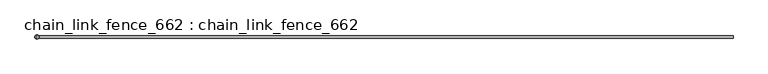
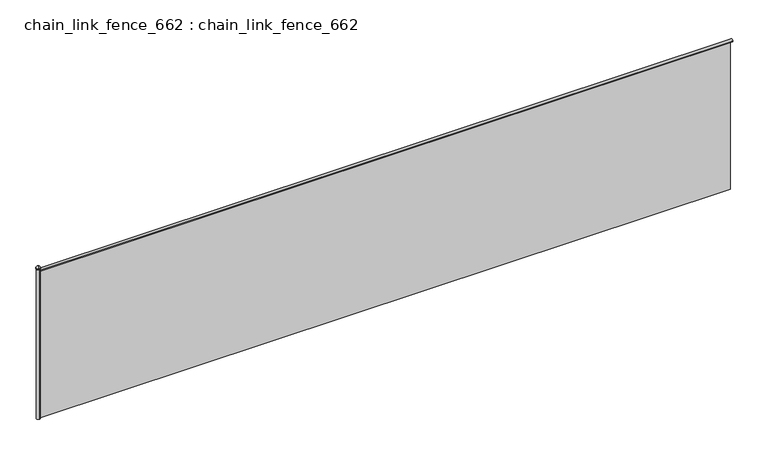
"""IFC4 building model written with IfcOpenShell, lengths in millimetres: proxy geometry, chain_link_fence_662 : chain_link_fence_662."""

from ifc_helpers import new_model, si_unit, point, frame, origin, origin_with_axes, place, context, project, spatial, polyline, circle_curve, ellipse_curve, trimmed, outline, extrude, source, transform, mapped, element, save
from ifc_brep_helpers import plane_surface, cylinder_surface, revolved_surface, advanced_brep


def chain_link_fence_662_chain_link_fence_662_0ab3615a(model_context):
    return source(origin(), model_context, "Body", "SolidModel", [
        advanced_brep(
        [(0.0, 0.0, 2178.05), (0.0, -28.2826692, 2178.05), (0.0, 28.2826692, 2178.05), (0.0, 25.4, 2183.5305324), (0.0, -25.4, 2183.5305324), (0.0, 0.0, 2215.4486146), (0.0, 28.2826692, 2183.5305324), (0.0, -28.2826692, 2183.5305324)],
        [
            (0, 1),
            (1, 2, circle_curve(frame((0.0, 0.0, 2178.05), z_axis=(0.0, 0.0, -1.0), x_axis=(0.0, -1.0, 0.0)), 28.2826692)),
            (2, 0),
            (2, 1, circle_curve(frame((0.0, 0.0, 2178.05), z_axis=(0.0, 0.0, -1.0), x_axis=(0.0, -1.0, 0.0)), 28.2826692)),
            (3, 4, circle_curve(frame((0.0, 0.0, 2183.5305324), z_axis=(0.0, 0.0, 1.0), x_axis=(0.0, -1.0, 0.0)), 25.4)),
            (4, 5, circle_curve(frame((0.0, 6.3879428, 2184.2996337), z_axis=(-1.0, 0.0, 0.0), x_axis=(0.0, 1.0, 0.0)), 31.7972455)),
            (5, 3, circle_curve(frame((0.0, -6.3879428, 2184.2996337), z_axis=(-1.0, 0.0, 0.0), x_axis=(0.0, -1.0, 0.0)), 31.7972455)),
            (4, 3, circle_curve(frame((0.0, 0.0, 2183.5305324), z_axis=(0.0, 0.0, 1.0), x_axis=(0.0, -1.0, 0.0)), 25.4)),
            (6, 7, circle_curve(frame((0.0, 0.0, 2183.5305324), z_axis=(0.0, 0.0, 1.0), x_axis=(0.0, -1.0, 0.0)), 28.2826692)),
            (7, 4),
            (3, 6),
            (7, 6, circle_curve(frame((0.0, 0.0, 2183.5305324), z_axis=(0.0, 0.0, 1.0), x_axis=(0.0, -1.0, 0.0)), 28.2826692)),
            (1, 7),
            (6, 2),
        ],
        [
            plane_surface(frame((0.0, 0.0, 2178.05), z_axis=(0.0, 0.0, -1.0), x_axis=(0.0, -1.0, 0.0))),
            revolved_surface(trimmed(ellipse_curve(frame((0.0, 6.3879428, 2184.2996337), z_axis=(1.0, 0.0, 0.0), x_axis=(0.0, 1.0, 0.0)), 31.7972455, 31.7972455), [point((0.0, 0.0, 2215.4486146))], [point((0.0, -25.4, 2183.5305324))], True, "CARTESIAN"), (0.0, 0.0, 2285.5203947), (0.0, 0.0, -1.0)),
            plane_surface(frame((0.0, 0.0, 2183.5305324), z_axis=(0.0, 0.0, 1.0), x_axis=(0.0, -1.0, 0.0))),
            cylinder_surface(frame((0.0, 0.0, 2285.5203947), z_axis=(0.0, 0.0, -1.0), x_axis=(0.0, -1.0, 0.0)), 28.2826692),
        ],
        [
            (0, [[1, 2, 3]]),
            (0, [[-3, 4, -1]]),
            (1, [[5, 6, 7]]),
            (1, [[8, -7, -6]]),
            (2, [[9, 10, -5, 11]]),
            (2, [[12, -11, -8, -10]]),
            (3, [[-2, 13, -9, 14]]),
            (3, [[-4, -14, -12, -13]]),
        ],
    ),
        advanced_brep(
        [(0.0, 25.4, 0.0), (0.0, -25.4, 0.0), (0.0, -25.4, 2178.05), (0.0, 25.4, 2178.05), (0.0, 0.0, 0.0), (0.0, 0.0, 2178.05)],
        [
            (0, 1, circle_curve(frame((0.0, 0.0, 0.0), z_axis=(0.0, 0.0, 1.0), x_axis=(0.0, -1.0, 0.0)), 25.4)),
            (1, 2),
            (2, 3, circle_curve(frame((0.0, 0.0, 2178.05), z_axis=(0.0, 0.0, -1.0), x_axis=(0.0, -1.0, 0.0)), 25.4)),
            (3, 0),
            (1, 0, circle_curve(frame((0.0, 0.0, 0.0), z_axis=(0.0, 0.0, 1.0), x_axis=(0.0, -1.0, 0.0)), 25.4)),
            (3, 2, circle_curve(frame((0.0, 0.0, 2178.05), z_axis=(0.0, 0.0, -1.0), x_axis=(0.0, -1.0, 0.0)), 25.4)),
            (4, 1),
            (0, 4),
            (2, 5),
            (5, 3),
        ],
        [
            cylinder_surface(frame((0.0, 0.0, 2375.7836045), z_axis=(0.0, 0.0, -1.0), x_axis=(0.0, -1.0, 0.0)), 25.4),
            plane_surface(frame((0.0, 0.0, 0.0), z_axis=(0.0, 0.0, -1.0), x_axis=(0.0, -1.0, 0.0))),
            plane_surface(frame((0.0, 0.0, 2178.05), z_axis=(0.0, 0.0, 1.0), x_axis=(0.0, -1.0, 0.0))),
        ],
        [
            (0, [[1, 2, 3, 4]]),
            (0, [[5, -4, 6, -2]]),
            (1, [[7, -1, 8]]),
            (1, [[-8, -5, -7]]),
            (2, [[-3, 9, 10]]),
            (2, [[-6, -10, -9]]),
        ],
    ),
        advanced_brep(
        [(9542.3365751, -19.05, 2152.65), (9542.3365751, 19.05, 2152.65), (9542.3365751, 0.0, 2152.65), (0.0, -19.05, 2152.65), (0.0, 19.05, 2152.65), (0.0, 0.0, 2152.65)],
        [
            (0, 1, circle_curve(frame((9542.3365751, 0.0, 2152.65), z_axis=(1.0, 0.0, 0.0), x_axis=(0.0, 1.0, 0.0)), 19.05)),
            (1, 2),
            (2, 0),
            (1, 0, circle_curve(frame((9542.3365751, 0.0, 2152.65), z_axis=(1.0, 0.0, 0.0), x_axis=(0.0, 1.0, 0.0)), 19.05)),
            (3, 4, circle_curve(frame((0.0, 0.0, 2152.65), z_axis=(1.0, 0.0, 0.0), x_axis=(0.0, 1.0, 0.0)), 19.05)),
            (4, 1),
            (0, 3),
            (4, 3, circle_curve(frame((0.0, 0.0, 2152.65), z_axis=(1.0, 0.0, 0.0), x_axis=(0.0, 1.0, 0.0)), 19.05)),
            (5, 4),
            (3, 5),
        ],
        [
            plane_surface(frame((9542.3365751, 0.0, 2152.65), z_axis=(1.0, 0.0, 0.0), x_axis=(0.0, 1.0, 0.0))),
            cylinder_surface(frame((-263.9427188, 0.0, 2152.65), z_axis=(-1.0, 0.0, 0.0), x_axis=(0.0, 1.0, 0.0)), 19.05),
            plane_surface(frame((0.0, 0.0, 2152.65), z_axis=(-1.0, 0.0, 0.0), x_axis=(0.0, 1.0, 0.0))),
        ],
        [
            (0, [[1, 2, 3]]),
            (0, [[4, -3, -2]]),
            (1, [[5, 6, -1, 7]]),
            (1, [[8, -7, -4, -6]]),
            (2, [[9, -5, 10]]),
            (2, [[-10, -8, -9]]),
        ],
    ),
        extrude(outline(polyline([(9516.9365751, -3.175), (25.4, -3.175), (25.4, 3.175), (9516.9365751, 3.175), (9516.9365751, -3.175)])), origin_with_axes(), (0.0, 0.0, 1.0), 2133.6),
    ])


if __name__ == "__main__":
    model = new_model("IFC4")
    model_context = context("Model", 3, world=origin())
    ifc_project = project(units=[si_unit("LENGTHUNIT", "METRE", prefix="MILLI")], contexts=[model_context])
    site = spatial("IfcSite", under=ifc_project)
    building = spatial("IfcBuilding", under=site)
    placement = place(None, origin())
    chain_link_fence_662_chain_link_fence_662_shape = chain_link_fence_662_chain_link_fence_662_0ab3615a(model_context)
    element("IfcBuildingElementProxy", 1, Name="chain_link_fence_662 : chain_link_fence_662", ObjectType="chain_link_fence_662 : chain_link_fence_662", at=placement, inside=building, context=model_context, shape_type="MappedRepresentation", body=[
        mapped(chain_link_fence_662_chain_link_fence_662_shape, transform((0.0, 0.0, 0.0), x_axis=(1.0, 0.0, 0.0), y_axis=(0.0, 1.0, 0.0), z_axis=(0.0, 0.0, 1.0))),
    ])
    save(model, "model.ifc")
